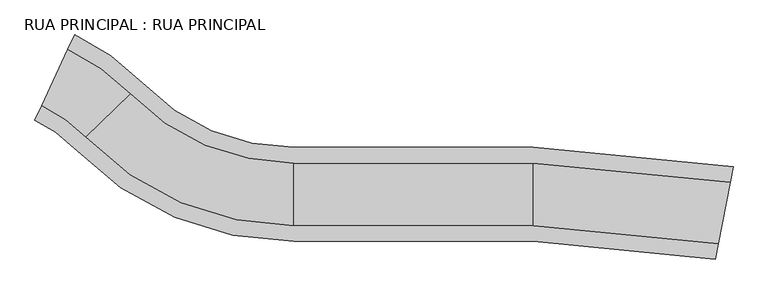
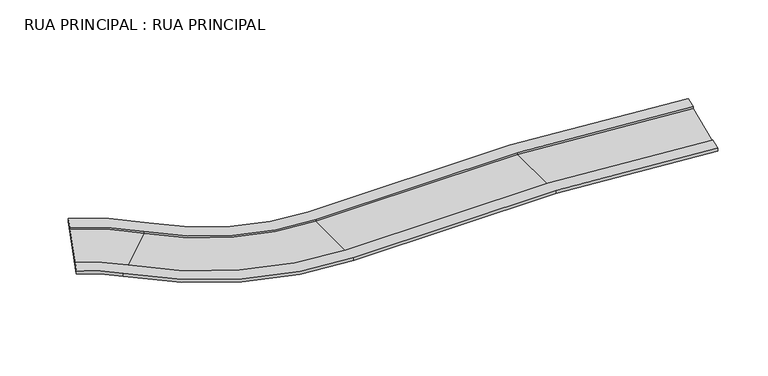
"""IFC4 building model written with IfcOpenShell, lengths in millimetres: geographic element geometry, RUA PRINCIPAL : RUA PRINCIPAL."""

from ifc_helpers import new_model, si_unit, point, frame, origin, place, context, project, spatial, polyline, circle_curve, ellipse_curve, trimmed, source, transform, mapped, element, save
from ifc_brep_helpers import plane_surface, cylinder_surface, revolved_surface, advanced_brep


def rua_principal_rua_principal_563d576e(model_context):
    return source(origin(), model_context, "Body", "AdvancedBrep", [
        advanced_brep(
        [(25547.2156833, 14468.0898326, -440.0), (25547.2156833, 14468.0898326, -385.0), (24395.4169959, 8579.6808978, -385.0), (24395.4169959, 8579.6808978, -440.0), (6707.1803142, 16293.3911094, -385.0), (6707.1803142, 16293.3911094, -440.0), (6707.1803142, 10293.3911094, -385.0), (6707.1803142, 10293.3911094, -440.0), (-16192.8196857, 10293.3911094, -440.0), (-36101.3206439, 18744.0483947, -440.0), (-40319.121515, 21750.0278807, -440.0), (-37787.7696321, 27189.9045011, -440.0), (-31785.2818419, 22911.9986174, -440.0), (-16192.8196857, 16293.3911094, -440.0), (-16192.8196857, 16293.3911094, -385.0), (-16192.8196857, 10293.3911094, -385.0), (-31785.2818419, 22911.9986174, -385.0), (-36101.3206439, 18744.0483947, -385.0), (-40319.121515, 21750.0278807, -385.0), (-37787.7696321, 27189.9045011, -385.0)],
        [
            (0, 1),
            (1, 2, circle_curve(frame((24971.3163396, 11523.8853652, -86026.8495766), z_axis=(0.9814014891384236, -0.1919664478935957, 0.0), x_axis=(-0.1919664478935957, -0.9814014891384236, 0.0)), 85694.3778722)),
            (2, 3),
            (3, 0),
            (4, 1, circle_curve(frame((6707.1803142, -81848.9435315, -385.0), z_axis=(0.0, 0.0, -1.0), x_axis=(0.19196644789359568, 0.9814014891384236, 0.0)), 98142.334641)),
            (0, 5, circle_curve(frame((6707.1803142, -81848.9435315, -440.0), z_axis=(0.0, 0.0, 1.0), x_axis=(0.19196644789359568, 0.9814014891384236, 0.0)), 98142.334641)),
            (5, 4),
            (6, 2, circle_curve(frame((6707.1803142, -81848.9435315, -385.0), z_axis=(0.0, 0.0, -1.0), x_axis=(0.19196644789359568, 0.9814014891384236, 0.0)), 92142.334641)),
            (4, 6, circle_curve(frame((6707.1803142, 13293.3911094, -86026.8495766), z_axis=(1.0, 0.0, 0.0), x_axis=(0.0, -1.0, 0.0)), 85694.3778722)),
            (7, 3, circle_curve(frame((6707.1803142, -81848.9435315, -440.0), z_axis=(0.0, 0.0, -1.0), x_axis=(0.19196644789359568, 0.9814014891384236, 0.0)), 92142.334641)),
            (6, 7),
            (7, 8),
            (8, 9, circle_curve(frame((-16192.8196857, 37969.4642932, -440.0), z_axis=(0.0, 0.0, -1.0), x_axis=(0.0, -1.0, 0.0)), 27676.0731838)),
            (9, 10, circle_curve(frame((-46301.5367291, 8893.8142206, -440.0), z_axis=(0.0, 0.0, 1.0), x_axis=(0.7193398003385741, 0.694658370459077, 0.0)), 14179.9690221)),
            (10, 11),
            (11, 12, circle_curve(frame((-46301.5367291, 8893.8142206, -440.0), z_axis=(0.0, 0.0, -1.0), x_axis=(0.7193398003385741, 0.694658370459077, 0.0)), 20179.9690221)),
            (12, 13, circle_curve(frame((-16192.8196857, 37969.4642932, -440.0), z_axis=(0.0, 0.0, 1.0), x_axis=(0.0, -1.0, 0.0)), 21676.0731838)),
            (13, 5),
            (13, 14),
            (14, 4),
            (14, 15, circle_curve(frame((-16192.8196857, 13293.3911094, -86026.8495766), z_axis=(1.0, 0.0, 0.0), x_axis=(0.0, -1.0, 0.0)), 85694.3778722)),
            (15, 6),
            (15, 8),
            (16, 14, circle_curve(frame((-16192.8196857, 37969.4642932, -385.0), z_axis=(0.0, 0.0, 1.0), x_axis=(0.0, -1.0, 0.0)), 21676.0731838)),
            (12, 16),
            (17, 15, circle_curve(frame((-16192.8196857, 37969.4642932, -385.0), z_axis=(0.0, 0.0, 1.0), x_axis=(0.0, -1.0, 0.0)), 27676.0731838)),
            (16, 17, circle_curve(frame((-33943.3012429, 20828.023506, -86026.8495766), z_axis=(0.6946583704590864, -0.719339800338565, 0.0), x_axis=(-0.719339800338565, -0.6946583704590864, 0.0)), 85694.3778722)),
            (17, 9),
            (10, 18),
            (18, 19, circle_curve(frame((-39053.4455736, 24469.9661909, -86026.8495766), z_axis=(-0.906646103391031, 0.42189198049484156, 0.0), x_axis=(-0.42189198049484156, -0.906646103391031, 0.0)), 85694.3778722)),
            (19, 11),
            (19, 16, circle_curve(frame((-46301.5367291, 8893.8142206, -385.0), z_axis=(0.0, 0.0, -1.0), x_axis=(0.7193398003385741, 0.694658370459077, 0.0)), 20179.9690221)),
            (18, 17, circle_curve(frame((-46301.5367291, 8893.8142206, -385.0), z_axis=(0.0, 0.0, -1.0), x_axis=(0.7193398003385741, 0.694658370459077, 0.0)), 14179.9690221)),
        ],
        [
            plane_surface(frame((24395.4169959, 8579.6808978, -170.0), z_axis=(0.9814014891384237, -0.1919664478935957, 0.0), x_axis=(0.0, 0.0, 1.0))),
            cylinder_surface(frame((6707.1803142, -81848.9435315, -170.0), z_axis=(0.0, 0.0, 1.0), x_axis=(0.19196644789359568, 0.9814014891384236, 0.0)), 98142.334641),
            revolved_surface(trimmed(ellipse_curve(frame((24971.3163396, 11523.8853652, -86026.8495766), z_axis=(0.9814014891384236, -0.1919664478935957, 0.0), x_axis=(-0.1919664478935957, -0.9814014891384236, 0.0)), 85694.3778722, 85694.3778722), [point((25547.2156833, 14468.0898326, -385.0))], [point((24395.4169959, 8579.6808978, -385.0))], True, "CARTESIAN"), (6707.1803142, -81848.9435315, -170.0), (0.0, 0.0, 1.0)),
            revolved_surface(polyline([(24395.41699585578, 8579.680897868355, -385.0), (24395.41699585578, 8579.680897868355, -440.0)]), (6707.1803142, -81848.9435315, -170.0), (0.0, 0.0, 1.0)),
            plane_surface(frame((6707.1803142, -81848.9435315, -440.0), z_axis=(0.0, 0.0, -1.0), x_axis=(0.19196644789359568, 0.9814014891384236, 0.0))),
            plane_surface(frame((6707.1803142, 16293.3911094, -440.0), z_axis=(0.0, 1.0, 0.0), x_axis=(-1.0, 0.0, 0.0))),
            cylinder_surface(frame((6707.1803142, 13293.3911094, -86026.8495766), z_axis=(1.0, 0.0, 0.0), x_axis=(0.0, -1.0, 0.0)), 85694.3778722),
            plane_surface(frame((6707.1803142, 10293.3911094, -385.0), z_axis=(0.0, -1.0, 0.0), x_axis=(-1.0, 0.0, 0.0))),
            revolved_surface(polyline([(-16192.8196857, 16293.3911094, -440.0), (-16192.8196857, 16293.3911094, -385.0)]), (-16192.8196857, 37969.4642932, -170.0), (0.0, 0.0, -1.0)),
            revolved_surface(trimmed(ellipse_curve(frame((-16192.8196857, 13293.3911094, -86026.8495766), z_axis=(1.0, 0.0, 0.0), x_axis=(0.0, -1.0, 0.0)), 85694.3778722, 85694.3778722), [point((-16192.8196857, 16293.3911094, -385.0))], [point((-16192.8196857, 10293.3911094, -385.0))], True, "CARTESIAN"), (-16192.8196857, 37969.4642932, -170.0), (0.0, 0.0, -1.0)),
            cylinder_surface(frame((-16192.8196857, 37969.4642932, -170.0), z_axis=(0.0, 0.0, -1.0), x_axis=(0.0, -1.0, 0.0)), 27676.0731838),
            plane_surface(frame((-40319.121515, 21750.0278807, -170.0), z_axis=(-0.906646103391031, 0.4218919804948417, 0.0), x_axis=(0.0, 0.0, 1.0))),
            cylinder_surface(frame((-46301.5367291, 8893.8142206, -170.0), z_axis=(0.0, 0.0, 1.0), x_axis=(0.7193398003385741, 0.694658370459077, 0.0)), 20179.9690221),
            revolved_surface(trimmed(ellipse_curve(frame((-33943.3012429, 20828.023506, -86026.8495766), z_axis=(0.694658370459077, -0.7193398003385741, 0.0), x_axis=(-0.7193398003385741, -0.694658370459077, 0.0)), 85694.3778722, 85694.3778722), [point((-31785.2818419, 22911.9986174, -385.0))], [point((-36101.3206439, 18744.0483947, -385.0))], True, "CARTESIAN"), (-46301.5367291, 8893.8142206, -170.0), (0.0, 0.0, 1.0)),
            revolved_surface(polyline([(-36101.32064393542, 18744.048394652178, -385.0), (-36101.32064393542, 18744.048394652178, -440.0)]), (-46301.5367291, 8893.8142206, -170.0), (0.0, 0.0, 1.0)),
        ],
        [
            (0, [[1, 2, 3, 4]]),
            (1, [[5, -1, 6, 7]]),
            (2, [[8, -2, -5, 9]]),
            (3, [[10, -3, -8, 11]]),
            (4, [[-6, -4, -10, 12, 13, 14, 15, 16, 17, 18]]),
            (5, [[-7, -18, 19, 20]]),
            (6, [[-9, -20, 21, 22]]),
            (7, [[-11, -22, 23, -12]]),
            (8, [[24, -19, -17, 25]]),
            (9, [[26, -21, -24, 27]]),
            (10, [[-13, -23, -26, 28]]),
            (11, [[-15, 29, 30, 31]]),
            (12, [[32, -25, -16, -31]]),
            (13, [[33, -27, -32, -30]]),
            (14, [[-14, -28, -33, -29]]),
        ],
    ),
        advanced_brep(
        [(24395.4169959, 8579.6808978, -170.0), (24107.4673241, 7107.5786641, -170.0), (24107.4673241, 7107.5786641, -530.0), (25835.1653551, 15940.1920663, -530.0), (25835.1653551, 15940.1920663, -170.0), (25547.2156833, 14468.0898326, -170.0), (25547.2156833, 14468.0898326, -400.0), (24395.4169959, 8579.6808978, -400.0), (6707.1803142, 8793.3911094, -170.0), (6707.1803142, 10293.3911094, -170.0), (-16192.8196857, 10293.3911094, -170.0), (-36101.3206439, 18744.0483947, -170.0), (-40319.121515, 21750.0278807, -170.0), (-40951.9594858, 20390.0587256, -170.0), (-37180.3303445, 17702.060839, -170.0), (-16192.8196857, 8793.3911094, -170.0), (6707.1803142, 8793.3911094, -530.0), (6707.1803142, 17793.3911094, -530.0), (-16192.8196857, 8793.3911094, -530.0), (-37180.3303445, 17702.060839, -530.0), (-40951.9594858, 20390.0587256, -530.0), (-37154.9316613, 28549.8736562, -530.0), (-30706.2721414, 23953.9861731, -530.0), (-16192.8196857, 17793.3911094, -530.0), (6707.1803142, 17793.3911094, -170.0), (6707.1803142, 16293.3911094, -170.0), (-16192.8196857, 17793.3911094, -170.0), (-30706.2721414, 23953.9861731, -170.0), (-37154.9316613, 28549.8736562, -170.0), (-37787.7696321, 27189.9045011, -170.0), (-31785.2818419, 22911.9986174, -170.0), (-16192.8196857, 16293.3911094, -170.0), (6707.1803142, 16293.3911094, -400.0), (6707.1803142, 10293.3911094, -400.0), (-16192.8196857, 16293.3911094, -400.0), (-16192.8196857, 10293.3911094, -400.0), (-31785.2818419, 22911.9986174, -400.0), (-36101.3206439, 18744.0483947, -400.0), (-40319.121515, 21750.0278807, -400.0), (-37787.7696321, 27189.9045011, -400.0)],
        [
            (0, 1),
            (1, 2),
            (2, 3),
            (3, 4),
            (4, 5),
            (5, 6),
            (6, 7),
            (7, 0),
            (8, 1, circle_curve(frame((6707.1803142, -81848.9435315, -170.0), z_axis=(0.0, 0.0, -1.0), x_axis=(0.19196644789358935, 0.9814014891384248, 0.0)), 90642.334641)),
            (0, 9, circle_curve(frame((6707.1803142, -81848.9435315, -170.0), z_axis=(0.0, 0.0, 1.0), x_axis=(0.19196644789358935, 0.9814014891384248, 0.0)), 92142.334641)),
            (9, 10),
            (10, 11, circle_curve(frame((-16192.8196857, 37969.4642932, -170.0), z_axis=(0.0, 0.0, -1.0), x_axis=(0.0, -1.0, 0.0)), 27676.0731838)),
            (11, 12, circle_curve(frame((-46301.5367291, 8893.8142206, -170.0), z_axis=(0.0, 0.0, 1.0), x_axis=(0.7193398003385697, 0.6946583704590816, 0.0)), 14179.9690221)),
            (12, 13),
            (13, 14, circle_curve(frame((-46301.5367291, 8893.8142206, -170.0), z_axis=(0.0, 0.0, -1.0), x_axis=(0.7193398003385697, 0.6946583704590816, 0.0)), 12679.9690221)),
            (14, 15, circle_curve(frame((-16192.8196857, 37969.4642932, -170.0), z_axis=(0.0, 0.0, 1.0), x_axis=(0.0, -1.0, 0.0)), 29176.0731838)),
            (15, 8),
            (16, 2, circle_curve(frame((6707.1803142, -81848.9435315, -530.0), z_axis=(0.0, 0.0, -1.0), x_axis=(0.19196644789358935, 0.9814014891384248, 0.0)), 90642.334641)),
            (8, 16),
            (17, 3, circle_curve(frame((6707.1803142, -81848.9435315, -530.0), z_axis=(0.0, 0.0, -1.0), x_axis=(0.19196644789358935, 0.9814014891384248, 0.0)), 99642.334641)),
            (16, 18),
            (18, 19, circle_curve(frame((-16192.8196857, 37969.4642932, -530.0), z_axis=(0.0, 0.0, -1.0), x_axis=(0.0, -1.0, 0.0)), 29176.0731838)),
            (19, 20, circle_curve(frame((-46301.5367291, 8893.8142206, -530.0), z_axis=(0.0, 0.0, 1.0), x_axis=(0.7193398003385697, 0.6946583704590816, 0.0)), 12679.9690221)),
            (20, 21),
            (21, 22, circle_curve(frame((-46301.5367291, 8893.8142206, -530.0), z_axis=(0.0, 0.0, -1.0), x_axis=(0.7193398003385697, 0.6946583704590816, 0.0)), 21679.9690221)),
            (22, 23, circle_curve(frame((-16192.8196857, 37969.4642932, -530.0), z_axis=(0.0, 0.0, 1.0), x_axis=(0.0, -1.0, 0.0)), 20176.0731838)),
            (23, 17),
            (24, 4, circle_curve(frame((6707.1803142, -81848.9435315, -170.0), z_axis=(0.0, 0.0, -1.0), x_axis=(0.19196644789358935, 0.9814014891384248, 0.0)), 99642.334641)),
            (17, 24),
            (25, 5, circle_curve(frame((6707.1803142, -81848.9435315, -170.0), z_axis=(0.0, 0.0, -1.0), x_axis=(0.19196644789358935, 0.9814014891384248, 0.0)), 98142.334641)),
            (24, 26),
            (26, 27, circle_curve(frame((-16192.8196857, 37969.4642932, -170.0), z_axis=(0.0, 0.0, -1.0), x_axis=(0.0, -1.0, 0.0)), 20176.0731838)),
            (27, 28, circle_curve(frame((-46301.5367291, 8893.8142206, -170.0), z_axis=(0.0, 0.0, 1.0), x_axis=(0.7193398003385697, 0.6946583704590816, 0.0)), 21679.9690221)),
            (28, 29),
            (29, 30, circle_curve(frame((-46301.5367291, 8893.8142206, -170.0), z_axis=(0.0, 0.0, -1.0), x_axis=(0.7193398003385697, 0.6946583704590816, 0.0)), 20179.9690221)),
            (30, 31, circle_curve(frame((-16192.8196857, 37969.4642932, -170.0), z_axis=(0.0, 0.0, 1.0), x_axis=(0.0, -1.0, 0.0)), 21676.0731838)),
            (31, 25),
            (32, 6, circle_curve(frame((6707.1803142, -81848.9435315, -400.0), z_axis=(0.0, 0.0, -1.0), x_axis=(0.19196644789358935, 0.9814014891384248, 0.0)), 98142.334641)),
            (25, 32),
            (7, 33, circle_curve(frame((6707.1803142, -81848.9435315, -400.0), z_axis=(0.0, 0.0, 1.0), x_axis=(0.19196644789358935, 0.9814014891384248, 0.0)), 92142.334641)),
            (33, 9),
            (15, 18),
            (23, 26),
            (31, 34),
            (34, 32),
            (33, 35),
            (35, 10),
            (14, 19),
            (22, 27),
            (36, 34, circle_curve(frame((-16192.8196857, 37969.4642932, -400.0), z_axis=(0.0, 0.0, 1.0), x_axis=(0.0, -1.0, 0.0)), 21676.0731838)),
            (30, 36),
            (35, 37, circle_curve(frame((-16192.8196857, 37969.4642932, -400.0), z_axis=(0.0, 0.0, -1.0), x_axis=(0.0, -1.0, 0.0)), 27676.0731838)),
            (37, 11),
            (12, 38),
            (38, 39),
            (39, 29),
            (28, 21),
            (20, 13),
            (39, 36, circle_curve(frame((-46301.5367291, 8893.8142206, -400.0), z_axis=(0.0, 0.0, -1.0), x_axis=(0.7193398003385697, 0.6946583704590816, 0.0)), 20179.9690221)),
            (37, 38, circle_curve(frame((-46301.5367291, 8893.8142206, -400.0), z_axis=(0.0, 0.0, 1.0), x_axis=(0.7193398003385697, 0.6946583704590816, 0.0)), 14179.9690221)),
        ],
        [
            plane_surface(frame((24107.4673241, 7107.5786641, 0.0), z_axis=(0.9814014891384248, -0.19196644789358938, 0.0), x_axis=(0.0, 0.0, 1.0))),
            plane_surface(frame((6707.1803142, -81848.9435315, -170.0), z_axis=(0.0, 0.0, 1.0), x_axis=(0.19196644789358935, 0.9814014891384248, 0.0))),
            revolved_surface(polyline([(24107.467324014815, 7107.578664160828, -170.0), (24107.467324014815, 7107.578664160828, -530.0)]), (6707.1803142, -81848.9435315, 0.0), (0.0, 0.0, 1.0)),
            plane_surface(frame((6707.1803142, -81848.9435315, -530.0), z_axis=(0.0, 0.0, -1.0), x_axis=(0.19196644789358935, 0.9814014891384248, 0.0))),
            cylinder_surface(frame((6707.1803142, -81848.9435315, 0.0), z_axis=(0.0, 0.0, 1.0), x_axis=(0.19196644789358935, 0.9814014891384248, 0.0)), 99642.334641),
            revolved_surface(polyline([(25547.215683216735, 14468.089832699014, -170.0), (25547.215683216735, 14468.089832699014, -400.0)]), (6707.1803142, -81848.9435315, 0.0), (0.0, 0.0, 1.0)),
            cylinder_surface(frame((6707.1803142, -81848.9435315, 0.0), z_axis=(0.0, 0.0, 1.0), x_axis=(0.19196644789358935, 0.9814014891384248, 0.0)), 92142.334641),
            plane_surface(frame((6707.1803142, 8793.3911094, -170.0), z_axis=(0.0, -1.0, 0.0), x_axis=(-1.0, 0.0, 0.0))),
            plane_surface(frame((6707.1803142, 17793.3911094, -530.0), z_axis=(0.0, 1.0, 0.0), x_axis=(-1.0, 0.0, 0.0))),
            plane_surface(frame((6707.1803142, 16293.3911094, -170.0), z_axis=(0.0, -1.0, 0.0), x_axis=(-1.0, 0.0, 0.0))),
            plane_surface(frame((6707.1803142, 10293.3911094, -400.0), z_axis=(0.0, 1.0, 0.0), x_axis=(-1.0, 0.0, 0.0))),
            cylinder_surface(frame((-16192.8196857, 37969.4642932, 0.0), z_axis=(0.0, 0.0, -1.0), x_axis=(0.0, -1.0, 0.0)), 29176.0731838),
            revolved_surface(polyline([(-16192.8196857, 17793.3911094, -530.0), (-16192.8196857, 17793.3911094, -170.0)]), (-16192.8196857, 37969.4642932, 0.0), (0.0, 0.0, -1.0)),
            cylinder_surface(frame((-16192.8196857, 37969.4642932, 0.0), z_axis=(0.0, 0.0, -1.0), x_axis=(0.0, -1.0, 0.0)), 21676.0731838),
            revolved_surface(polyline([(-16192.8196857, 10293.3911094, -400.0), (-16192.8196857, 10293.3911094, -170.0)]), (-16192.8196857, 37969.4642932, 0.0), (0.0, 0.0, -1.0)),
            plane_surface(frame((-40951.9594858, 20390.0587256, 0.0), z_axis=(-0.9066461033910339, 0.42189198049483567, 0.0), x_axis=(0.0, 0.0, 1.0))),
            revolved_surface(polyline([(-37180.33034444334, 17702.060838963618, -170.0), (-37180.33034444334, 17702.060838963618, -530.0)]), (-46301.5367291, 8893.8142206, 0.0), (0.0, 0.0, 1.0)),
            cylinder_surface(frame((-46301.5367291, 8893.8142206, 0.0), z_axis=(0.0, 0.0, 1.0), x_axis=(0.7193398003385697, 0.6946583704590816, 0.0)), 21679.9690221),
            revolved_surface(polyline([(-31785.281841904063, 22911.99861740673, -170.0), (-31785.281841904063, 22911.99861740673, -400.0)]), (-46301.5367291, 8893.8142206, 0.0), (0.0, 0.0, 1.0)),
            cylinder_surface(frame((-46301.5367291, 8893.8142206, 0.0), z_axis=(0.0, 0.0, 1.0), x_axis=(0.7193398003385697, 0.6946583704590816, 0.0)), 14179.9690221),
            plane_surface(frame((6707.1803142, -81848.9435315, -400.0), z_axis=(0.0, 0.0, 1.0), x_axis=(0.19196644789358935, 0.9814014891384248, 0.0))),
        ],
        [
            (0, [[1, 2, 3, 4, 5, 6, 7, 8]]),
            (1, [[9, -1, 10, 11, 12, 13, 14, 15, 16, 17]]),
            (2, [[18, -2, -9, 19]]),
            (3, [[20, -3, -18, 21, 22, 23, 24, 25, 26, 27]]),
            (4, [[28, -4, -20, 29]]),
            (1, [[30, -5, -28, 31, 32, 33, 34, 35, 36, 37]]),
            (5, [[38, -6, -30, 39]]),
            (6, [[-10, -8, 40, 41]]),
            (7, [[-19, -17, 42, -21]]),
            (8, [[-29, -27, 43, -31]]),
            (9, [[-39, -37, 44, 45]]),
            (10, [[-41, 46, 47, -11]]),
            (11, [[-22, -42, -16, 48]]),
            (12, [[-32, -43, -26, 49]]),
            (13, [[50, -44, -36, 51]]),
            (14, [[-12, -47, 52, 53]]),
            (15, [[54, 55, 56, -34, 57, -24, 58, -14]]),
            (16, [[-23, -48, -15, -58]]),
            (17, [[-33, -49, -25, -57]]),
            (18, [[59, -51, -35, -56]]),
            (19, [[-13, -53, 60, -54]]),
            (20, [[-40, -7, -38, -45, -50, -59, -55, -60, -52, -46]]),
        ],
    ),
    ])


if __name__ == "__main__":
    model = new_model("IFC4")
    model_context = context("Model", 3, world=origin())
    ifc_project = project(units=[si_unit("LENGTHUNIT", "METRE", prefix="MILLI")], contexts=[model_context])
    site = spatial("IfcSite", under=ifc_project)
    building = spatial("IfcBuilding", under=site)
    placement = place(None, origin())
    rua_principal_rua_principal_shape = rua_principal_rua_principal_563d576e(model_context)
    element("IfcGeographicElement", 1, ObjectType="RUA PRINCIPAL : RUA PRINCIPAL", at=placement, inside=building, context=model_context, shape_type="MappedRepresentation", body=[
        mapped(rua_principal_rua_principal_shape, transform((0.0, 0.0, 0.0), x_axis=(1.0, 0.0, 0.0), y_axis=(0.0, 1.0, 0.0), z_axis=(0.0, 0.0, 1.0))),
    ])
    save(model, "model.ifc")
